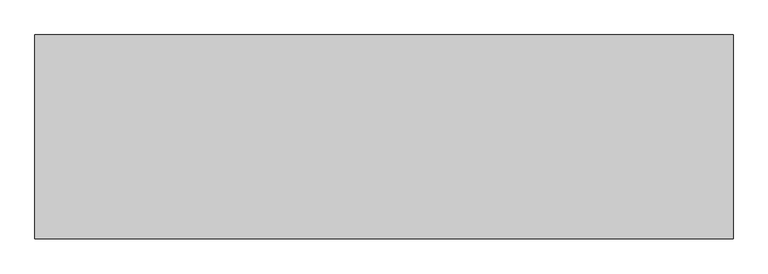
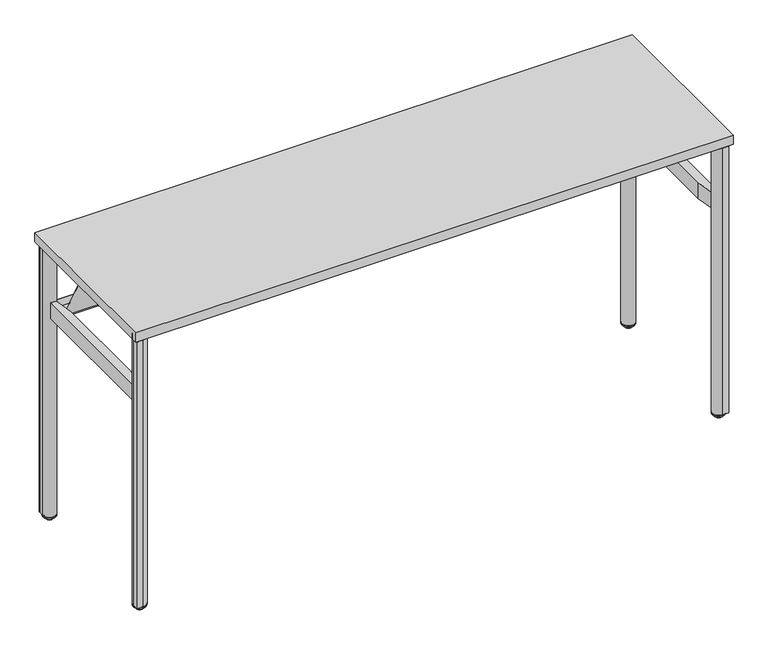
"""IFC4 building model written with IfcOpenShell, lengths in millimetres: furniture geometry."""

from ifc_helpers import new_model, si_unit, point, frame, frame_2d, origin, place, context, project, spatial, polyline, circle_curve, ellipse_curve, trimmed, segment, composite_curve, outline, extrude, source, transform, mapped, element, save
from ifc_brep_helpers import plane_surface, cylinder_surface, revolved_surface, advanced_brep


def furniture_ea637fb2(model_context):
    return source(origin(), model_context, "Body", "SolidModel", [
        extrude(outline(composite_curve([segment(polyline([(1682.5568228, -479.9277503), (1675.9453386, -404.358219)]), True, "CONTINUOUS"), segment(trimmed(circle_curve(frame_2d((1694.9228474, -402.6979004)), 19.05), [point((1675.9453386, -404.358219))], [point((1696.583166, -383.7203915))], False, "CARTESIAN"), True, "CONTINUOUS"), segment(polyline([(1696.583166, -383.7203915), (1774.2734847, -390.5174208)]), True, "CONTINUOUS"), segment(trimmed(circle_curve(frame_2d((1772.3818706, -412.1386457)), 21.7038146), [point((1774.2734847, -390.5174208))], [point((1787.728784, -396.7917301))], False, "CARTESIAN"), True, "CONTINUOUS"), segment(polyline([(1787.728784, -396.7917301), (1803.3562562, -412.4192001)]), True, "CONTINUOUS"), segment(trimmed(circle_curve(frame_2d((1782.3913269, -433.3841324)), 29.6488894), [point((1803.3562562, -412.4192001))], [point((1811.9273934, -430.8000615))], False, "CARTESIAN"), True, "CONTINUOUS"), segment(polyline([(1811.9273934, -430.8000615), (1818.3747643, -504.493852), (1818.3747643, -522.7148941)]), True, "CONTINUOUS"), segment(trimmed(circle_curve(frame_2d((1814.93984, -522.7148941)), 3.4349243), [point((1818.3747643, -522.7148941))], [point((1814.93984, -526.1498184))], False, "CARTESIAN"), True, "CONTINUOUS"), segment(polyline([(1814.93984, -526.1498184), (1796.7188055, -526.1498184), (1723.7868378, -519.7690978)]), True, "CONTINUOUS"), segment(trimmed(circle_curve(frame_2d((1726.5540328, -488.1399162)), 31.75), [point((1723.7868378, -519.7690978))], [point((1704.1033893, -510.5905533))], False, "CARTESIAN"), True, "CONTINUOUS"), segment(polyline([(1704.1033893, -510.5905533), (1690.5220271, -497.0091873)]), True, "CONTINUOUS"), segment(trimmed(circle_curve(frame_2d((1710.0048647, -477.5263553)), 27.5528892), [point((1690.5220271, -497.0091873))], [point((1682.5568228, -479.9277503))], False, "CARTESIAN"), True, "CONTINUOUS")], self_intersect=False)), frame((0.0, 0.0, 876.8852114), z_axis=(0.0, 0.0, 1.0), x_axis=(1.0, 0.0, 0.0)), (0.0, 0.0, 1.0), 7.924807),
        extrude(outline(composite_curve([segment(trimmed(circle_curve(frame_2d((115.624494, -477.5263553)), 27.5528892), [point((143.0725359, -479.9277503))], [point((135.1073315, -497.0091873))], False, "CARTESIAN"), True, "CONTINUOUS"), segment(polyline([(135.1073315, -497.0091873), (121.5259694, -510.5905533)]), True, "CONTINUOUS"), segment(trimmed(circle_curve(frame_2d((99.0753259, -488.1399162)), 31.75), [point((121.5259694, -510.5905533))], [point((101.8425208, -519.7690978))], False, "CARTESIAN"), True, "CONTINUOUS"), segment(polyline([(101.8425208, -519.7690978), (28.9105532, -526.1498184), (10.6895187, -526.1498184)]), True, "CONTINUOUS"), segment(trimmed(circle_curve(frame_2d((10.6895187, -522.7148941)), 3.4349243), [point((10.6895187, -526.1498184))], [point((7.2545944, -522.7148941))], False, "CARTESIAN"), True, "CONTINUOUS"), segment(polyline([(7.2545944, -522.7148941), (7.2545944, -504.493852), (13.7019653, -430.8000615)]), True, "CONTINUOUS"), segment(trimmed(circle_curve(frame_2d((43.2380317, -433.3841324)), 29.6488894), [point((13.7019653, -430.8000615))], [point((22.2731025, -412.4192001))], False, "CARTESIAN"), True, "CONTINUOUS"), segment(polyline([(22.2731025, -412.4192001), (37.9005747, -396.7917301)]), True, "CONTINUOUS"), segment(trimmed(circle_curve(frame_2d((53.2474881, -412.1386457)), 21.7038146), [point((37.9005747, -396.7917301))], [point((51.355874, -390.5174208))], False, "CARTESIAN"), True, "CONTINUOUS"), segment(polyline([(51.355874, -390.5174208), (129.0461926, -383.7203915)]), True, "CONTINUOUS"), segment(trimmed(circle_curve(frame_2d((130.7065113, -402.6979004)), 19.05), [point((129.0461926, -383.7203915))], [point((149.6840201, -404.358219))], False, "CARTESIAN"), True, "CONTINUOUS"), segment(polyline([(149.6840201, -404.358219), (143.0725359, -479.9277503)]), True, "CONTINUOUS")], self_intersect=False)), frame((0.0, 0.0, 876.8852114), z_axis=(0.0, 0.0, 1.0), x_axis=(1.0, 0.0, 0.0)), (0.0, 0.0, 1.0), 7.924807),
        extrude(outline(composite_curve([segment(trimmed(circle_curve(frame_2d((1710.0048647, -55.8736689)), 27.5528892), [point((1682.5568228, -53.4722739))], [point((1690.5220271, -36.3908369))], False, "CARTESIAN"), True, "CONTINUOUS"), segment(polyline([(1690.5220271, -36.3908369), (1704.1033893, -22.8094709)]), True, "CONTINUOUS"), segment(trimmed(circle_curve(frame_2d((1726.5540328, -45.260108)), 31.75), [point((1704.1033893, -22.8094709))], [point((1723.7868378, -13.6309264))], False, "CARTESIAN"), True, "CONTINUOUS"), segment(polyline([(1723.7868378, -13.6309264), (1796.7188055, -7.2502058), (1814.93984, -7.2502058)]), True, "CONTINUOUS"), segment(trimmed(circle_curve(frame_2d((1814.93984, -10.6851301)), 3.4349243), [point((1814.93984, -7.2502058))], [point((1818.3747643, -10.6851301))], False, "CARTESIAN"), True, "CONTINUOUS"), segment(polyline([(1818.3747643, -10.6851301), (1818.3747643, -28.9061722), (1811.9273934, -102.5999627)]), True, "CONTINUOUS"), segment(trimmed(circle_curve(frame_2d((1782.3913269, -100.0158919)), 29.6488894), [point((1811.9273934, -102.5999627))], [point((1803.3562562, -120.9808241))], False, "CARTESIAN"), True, "CONTINUOUS"), segment(polyline([(1803.3562562, -120.9808241), (1787.728784, -136.6082941)]), True, "CONTINUOUS"), segment(trimmed(circle_curve(frame_2d((1772.3818706, -121.2613785)), 21.7038146), [point((1787.728784, -136.6082941))], [point((1774.2734847, -142.8826034))], False, "CARTESIAN"), True, "CONTINUOUS"), segment(polyline([(1774.2734847, -142.8826034), (1696.583166, -149.6796327)]), True, "CONTINUOUS"), segment(trimmed(circle_curve(frame_2d((1694.9228474, -130.7021238)), 19.05), [point((1696.583166, -149.6796327))], [point((1675.9453386, -129.0418052))], False, "CARTESIAN"), True, "CONTINUOUS"), segment(polyline([(1675.9453386, -129.0418052), (1682.5568228, -53.4722739)]), True, "CONTINUOUS")], self_intersect=False)), frame((0.0, 0.0, 876.8852114), z_axis=(0.0, 0.0, 1.0), x_axis=(1.0, 0.0, 0.0)), (0.0, 0.0, 1.0), 7.924807),
        extrude(outline(composite_curve([segment(polyline([(143.0725359, -53.4722739), (149.6840201, -129.0418052)]), True, "CONTINUOUS"), segment(trimmed(circle_curve(frame_2d((130.7065113, -130.7021238)), 19.05), [point((149.6840201, -129.0418052))], [point((129.0461926, -149.6796327))], False, "CARTESIAN"), True, "CONTINUOUS"), segment(polyline([(129.0461926, -149.6796327), (51.355874, -142.8826034)]), True, "CONTINUOUS"), segment(trimmed(circle_curve(frame_2d((53.2474881, -121.2613785)), 21.7038146), [point((51.355874, -142.8826034))], [point((37.9005747, -136.6082941))], False, "CARTESIAN"), True, "CONTINUOUS"), segment(polyline([(37.9005747, -136.6082941), (22.2731025, -120.9808241)]), True, "CONTINUOUS"), segment(trimmed(circle_curve(frame_2d((43.2380317, -100.0158919)), 29.6488894), [point((22.2731025, -120.9808241))], [point((13.7019653, -102.5999627))], False, "CARTESIAN"), True, "CONTINUOUS"), segment(polyline([(13.7019653, -102.5999627), (7.2545944, -28.9061722), (7.2545944, -10.6851301)]), True, "CONTINUOUS"), segment(trimmed(circle_curve(frame_2d((10.6895187, -10.6851301)), 3.4349243), [point((7.2545944, -10.6851301))], [point((10.6895187, -7.2502058))], False, "CARTESIAN"), True, "CONTINUOUS"), segment(polyline([(10.6895187, -7.2502058), (28.9105532, -7.2502058), (101.8425208, -13.6309264)]), True, "CONTINUOUS"), segment(trimmed(circle_curve(frame_2d((99.0753259, -45.260108)), 31.75), [point((101.8425208, -13.6309264))], [point((121.5259694, -22.8094709))], False, "CARTESIAN"), True, "CONTINUOUS"), segment(polyline([(121.5259694, -22.8094709), (135.1073315, -36.3908369)]), True, "CONTINUOUS"), segment(trimmed(circle_curve(frame_2d((115.624494, -55.8736689)), 27.5528892), [point((135.1073315, -36.3908369))], [point((143.0725359, -53.4722739))], False, "CARTESIAN"), True, "CONTINUOUS")], self_intersect=False)), frame((0.0, 0.0, 876.8852114), z_axis=(0.0, 0.0, 1.0), x_axis=(1.0, 0.0, 0.0)), (0.0, 0.0, 1.0), 7.924807),
        extrude(outline(polyline([(1782.4459026, -13.0340961), (1782.4459026, -42.1423405), (46.3540974, -42.1423405), (46.3540974, -13.0340961), (1782.4459026, -13.0340961)])), frame((0.0, 0.0, 658.6141836), z_axis=(0.0, 0.0, 1.0), x_axis=(1.0, 0.0, 0.0)), (0.0, 0.0, 1.0), 2.0300117),
        extrude(outline(polyline([(1782.4459026, -13.0340961), (1682.5208473, -13.0340961), (1682.5208473, -11.0002063), (1782.4459026, -11.0002063), (1782.4459026, -13.0340961)])), frame((0.0, 0.0, 658.6141836), z_axis=(0.0, 0.0, 1.0), x_axis=(1.0, 0.0, 0.0)), (0.0, 0.0, 1.0), 25.4000242),
        extrude(outline(polyline([(143.1040921, -13.0340961), (46.3540974, -13.0340961), (46.3540974, -11.0002063), (143.1040921, -11.0002063), (143.1040921, -13.0340961)])), frame((0.0, 0.0, 658.6141836), z_axis=(0.0, 0.0, 1.0), x_axis=(1.0, 0.0, 0.0)), (0.0, 0.0, 1.0), 25.4000242),
        extrude(outline(polyline([(1621.827459, -13.0340961), (950.3124882, -13.0340961), (950.3124882, -11.0002063), (1621.827459, -11.0002063), (1621.827459, -13.0340961)])), frame((0.0, 0.0, 658.6141836), z_axis=(0.0, 0.0, 1.0), x_axis=(1.0, 0.0, 0.0)), (0.0, 0.0, 1.0), 22.9947931),
        extrude(outline(polyline([(875.3124876, -13.0340961), (203.7974987, -13.0340961), (203.7974987, -11.0002063), (875.3124876, -11.0002063), (875.3124876, -13.0340961)])), frame((0.0, 0.0, 658.6141836), z_axis=(0.0, 0.0, 1.0), x_axis=(1.0, 0.0, 0.0)), (0.0, 0.0, 1.0), 22.9947931),
        extrude(outline(composite_curve([segment(polyline([(-70.8799912, 670.6281944), (-183.9643808, 883.3090199), (-204.4150118, 883.3090199), (-204.4150118, 884.8100183), (-183.0636133, 884.8100183), (-69.4765949, 671.1843836)]), True, "CONTINUOUS"), segment(trimmed(circle_curve(frame_2d((-47.0497371, 683.1089821)), 25.4), [point((-69.4765949, 671.1843836))], [point((-47.0497371, 657.7089821))], True, "CARTESIAN"), True, "CONTINUOUS"), segment(polyline([(-47.0497371, 657.7089821), (-28.0002031, 657.7089821), (-28.0002031, 656.209001), (-46.8824246, 656.209001)]), True, "CONTINUOUS"), segment(trimmed(circle_curve(frame_2d((-46.8824246, 683.3879256)), 27.1789246), [point((-46.8824246, 656.209001))], [point((-70.8799912, 670.6281944))], False, "CARTESIAN"), True, "CONTINUOUS")], self_intersect=False)), frame((46.3540974, 0.0, 0.0), z_axis=(1.0, 0.0, 0.0), x_axis=(0.0, 1.0, 0.0)), (0.0, 0.0, 1.0), 1736.0918052),
        extrude(outline(polyline([(1807.8459034, -47.9435406), (1807.8459034, -485.4564594), (1790.621242, -485.4564594), (1782.4459026, -424.9957325), (1782.4459026, -108.4254144), (1790.6241015, -47.9435406), (1807.8459034, -47.9435406)])), frame((0.0, 0.0, 658.6141836), z_axis=(0.0, 0.0, 1.0), x_axis=(1.0, 0.0, 0.0)), (0.0, 0.0, 1.0), 50.8),
        extrude(outline(polyline([(20.9540966, -47.9435406), (38.1758985, -47.9435406), (46.3540974, -108.4254144), (46.3540974, -424.9957325), (38.178758, -485.4564594), (20.9540966, -485.4564594), (20.9540966, -47.9435406)])), frame((0.0, 0.0, 658.6141836), z_axis=(0.0, 0.0, 1.0), x_axis=(1.0, 0.0, 0.0)), (0.0, 0.0, 1.0), 50.8),
        advanced_brep(
        [(1797.6247953, -485.4197975, 12.8144714), (1797.6247953, -525.3711213, 12.8144714), (1797.6247953, -520.426826, 7.8701761), (1797.6247953, -490.3640928, 7.8701761), (1797.6247953, -519.4011418, 7.8701761), (1797.6247953, -491.389777, 7.8701761), (1797.6247953, -519.4011418, 7.0593297), (1797.6247953, -491.389777, 7.0593297), (1797.6247953, -517.5595987, 2.623811), (1797.6247953, -493.23132, 2.623811), (1797.6247953, -515.1818837, 0.2460959), (1797.6247953, -495.6090351, 0.2460959), (1797.6247953, -514.2634411, 0.0), (1797.6247953, -496.5274776, 0.0), (1797.6247953, -505.3954594, 0.0), (1797.6247953, -505.3954594, 15.24), (1797.6247953, -525.3711213, 15.24), (1797.6247953, -485.4197975, 15.24)],
        [
            (0, 1, circle_curve(frame((1797.6247953, -505.3954594, 12.8144714), z_axis=(0.0, 0.0, -1.0), x_axis=(0.0, -1.0, 0.0)), 19.9756619)),
            (1, 2, circle_curve(frame((1797.6247953, -520.426826, 12.8144714), z_axis=(1.0, 0.0, 0.0), x_axis=(0.0, 1.0, 0.0)), 4.9442953)),
            (2, 3, circle_curve(frame((1797.6247953, -505.3954594, 7.8701761), z_axis=(0.0, 0.0, 1.0), x_axis=(0.0, -1.0, 0.0)), 15.0313666)),
            (3, 0, circle_curve(frame((1797.6247953, -490.3640928, 12.8144714), z_axis=(1.0, 0.0, 0.0), x_axis=(0.0, -1.0, 0.0)), 4.9442953)),
            (1, 0, circle_curve(frame((1797.6247953, -505.3954594, 12.8144714), z_axis=(0.0, 0.0, -1.0), x_axis=(0.0, -1.0, 0.0)), 19.9756619)),
            (3, 2, circle_curve(frame((1797.6247953, -505.3954594, 7.8701761), z_axis=(0.0, 0.0, 1.0), x_axis=(0.0, -1.0, 0.0)), 15.0313666)),
            (2, 4),
            (4, 5, circle_curve(frame((1797.6247953, -505.3954594, 7.8701761), z_axis=(0.0, 0.0, 1.0), x_axis=(0.0, -1.0, 0.0)), 14.0056824)),
            (5, 3),
            (5, 4, circle_curve(frame((1797.6247953, -505.3954594, 7.8701761), z_axis=(0.0, 0.0, 1.0), x_axis=(0.0, -1.0, 0.0)), 14.0056824)),
            (4, 6),
            (6, 7, circle_curve(frame((1797.6247953, -505.3954594, 7.0593297), z_axis=(0.0, 0.0, 1.0), x_axis=(0.0, -1.0, 0.0)), 14.0056824)),
            (7, 5),
            (7, 6, circle_curve(frame((1797.6247953, -505.3954594, 7.0593297), z_axis=(0.0, 0.0, 1.0), x_axis=(0.0, -1.0, 0.0)), 14.0056824)),
            (6, 8),
            (8, 9, circle_curve(frame((1797.6247953, -505.3954594, 2.623811), z_axis=(0.0, 0.0, 1.0), x_axis=(0.0, -1.0, 0.0)), 12.1641393)),
            (9, 7),
            (9, 8, circle_curve(frame((1797.6247953, -505.3954594, 2.623811), z_axis=(0.0, 0.0, 1.0), x_axis=(0.0, -1.0, 0.0)), 12.1641393)),
            (8, 10),
            (10, 11, circle_curve(frame((1797.6247953, -505.3954594, 0.2460959), z_axis=(0.0, 0.0, 1.0), x_axis=(0.0, -1.0, 0.0)), 9.7864243)),
            (11, 9),
            (11, 10, circle_curve(frame((1797.6247953, -505.3954594, 0.2460959), z_axis=(0.0, 0.0, 1.0), x_axis=(0.0, -1.0, 0.0)), 9.7864243)),
            (10, 12),
            (12, 13, circle_curve(frame((1797.6247953, -505.3954594, 0.0), z_axis=(0.0, 0.0, 1.0), x_axis=(0.0, -1.0, 0.0)), 8.8679818)),
            (13, 11),
            (13, 12, circle_curve(frame((1797.6247953, -505.3954594, 0.0), z_axis=(0.0, 0.0, 1.0), x_axis=(0.0, -1.0, 0.0)), 8.8679818)),
            (12, 14),
            (14, 13),
            (15, 16),
            (16, 17, circle_curve(frame((1797.6247953, -505.3954594, 15.24), z_axis=(0.0, 0.0, 1.0), x_axis=(0.0, -1.0, 0.0)), 19.9756619)),
            (17, 15),
            (17, 16, circle_curve(frame((1797.6247953, -505.3954594, 15.24), z_axis=(0.0, 0.0, 1.0), x_axis=(0.0, -1.0, 0.0)), 19.9756619)),
            (16, 1),
            (0, 17),
        ],
        [
            revolved_surface(trimmed(ellipse_curve(frame((1797.6247953, -520.426826, 12.8144714), z_axis=(-1.0, 0.0, 0.0), x_axis=(0.0, 1.0, 0.0)), 4.9442953, 4.9442953), [point((1797.6247953, -520.426826, 7.8701761))], [point((1797.6247953, -525.3711213, 12.8144714))], True, "CARTESIAN"), (1797.6247953, -505.3954594, 40.64), (0.0, 0.0, 1.0)),
            plane_surface(frame((1797.6247953, -505.3954594, 7.8701761), z_axis=(0.0, 0.0, -1.0), x_axis=(0.0, -1.0, 0.0))),
            cylinder_surface(frame((1797.6247953, -505.3954594, 40.64), z_axis=(0.0, 0.0, 1.0), x_axis=(0.0, -1.0, 0.0)), 14.0056824),
            revolved_surface(polyline([(1797.6247953, -517.5595987, 2.623811), (1797.6247953, -519.4011418, 7.0593297)]), (1797.6247953, -505.3954594, 40.64), (0.0, 0.0, 1.0)),
            revolved_surface(polyline([(1797.6247953, -515.1818837, 0.2460959), (1797.6247953, -517.5595987, 2.623811)]), (1797.6247953, -505.3954594, 40.64), (0.0, 0.0, 1.0)),
            revolved_surface(polyline([(1797.6247953, -514.2634411, 0.0), (1797.6247953, -515.1818837, 0.2460959)]), (1797.6247953, -505.3954594, 40.64), (0.0, 0.0, 1.0)),
            plane_surface(frame((1797.6247953, -505.3954594, 0.0), z_axis=(0.0, 0.0, -1.0), x_axis=(0.0, -1.0, 0.0))),
            plane_surface(frame((1797.6247953, -505.3954594, 15.24), z_axis=(0.0, 0.0, 1.0), x_axis=(0.0, -1.0, 0.0))),
            cylinder_surface(frame((1797.6247953, -505.3954594, 40.64), z_axis=(0.0, 0.0, 1.0), x_axis=(0.0, -1.0, 0.0)), 19.9756619),
        ],
        [
            (0, [[1, 2, 3, 4]]),
            (0, [[5, -4, 6, -2]]),
            (1, [[-3, 7, 8, 9]]),
            (1, [[-6, -9, 10, -7]]),
            (2, [[-8, 11, 12, 13]]),
            (2, [[-10, -13, 14, -11]]),
            (3, [[-12, 15, 16, 17]]),
            (3, [[-14, -17, 18, -15]]),
            (4, [[-16, 19, 20, 21]]),
            (4, [[-18, -21, 22, -19]]),
            (5, [[-20, 23, 24, 25]]),
            (5, [[-22, -25, 26, -23]]),
            (6, [[-24, 27, 28]]),
            (6, [[-26, -28, -27]]),
            (7, [[29, 30, 31]]),
            (7, [[-31, 32, -29]]),
            (8, [[-30, 33, -1, 34]]),
            (8, [[-32, -34, -5, -33]]),
        ],
    ),
        advanced_brep(
        [(27.9796875, -490.3640928, 7.8701761), (27.9796875, -520.426826, 7.8701761), (27.9796875, -525.3711213, 12.8144714), (27.9796875, -485.4197975, 12.8144714), (27.9796875, -491.389777, 7.8701761), (27.9796875, -519.4011418, 7.8701761), (27.9796875, -491.389777, 7.0593297), (27.9796875, -519.4011418, 7.0593297), (27.9796875, -493.23132, 2.623811), (27.9796875, -517.5595987, 2.623811), (27.9796875, -495.6090351, 0.2460959), (27.9796875, -515.1818837, 0.2460959), (27.9796875, -496.5274776, 0.0), (27.9796875, -514.2634411, 0.0), (27.9796875, -505.3954594, 0.0), (27.9796875, -485.4197975, 15.24), (27.9796875, -525.3711213, 15.24), (27.9796875, -505.3954594, 15.24)],
        [
            (0, 1, circle_curve(frame((27.9796875, -505.3954594, 7.8701761), z_axis=(0.0, 0.0, 1.0), x_axis=(0.0, -1.0, 0.0)), 15.0313666)),
            (1, 2, circle_curve(frame((27.9796875, -520.426826, 12.8144714), z_axis=(-1.0, 0.0, 0.0), x_axis=(0.0, 1.0, 0.0)), 4.9442953)),
            (2, 3, circle_curve(frame((27.9796875, -505.3954594, 12.8144714), z_axis=(0.0, 0.0, -1.0), x_axis=(0.0, -1.0, 0.0)), 19.9756619)),
            (3, 0, circle_curve(frame((27.9796875, -490.3640928, 12.8144714), z_axis=(-1.0, 0.0, 0.0), x_axis=(0.0, -1.0, 0.0)), 4.9442953)),
            (1, 0, circle_curve(frame((27.9796875, -505.3954594, 7.8701761), z_axis=(0.0, 0.0, 1.0), x_axis=(0.0, -1.0, 0.0)), 15.0313666)),
            (3, 2, circle_curve(frame((27.9796875, -505.3954594, 12.8144714), z_axis=(0.0, 0.0, -1.0), x_axis=(0.0, -1.0, 0.0)), 19.9756619)),
            (4, 5, circle_curve(frame((27.9796875, -505.3954594, 7.8701761), z_axis=(0.0, 0.0, 1.0), x_axis=(0.0, -1.0, 0.0)), 14.0056824)),
            (5, 1),
            (0, 4),
            (5, 4, circle_curve(frame((27.9796875, -505.3954594, 7.8701761), z_axis=(0.0, 0.0, 1.0), x_axis=(0.0, -1.0, 0.0)), 14.0056824)),
            (6, 7, circle_curve(frame((27.9796875, -505.3954594, 7.0593297), z_axis=(0.0, 0.0, 1.0), x_axis=(0.0, -1.0, 0.0)), 14.0056824)),
            (7, 5),
            (4, 6),
            (7, 6, circle_curve(frame((27.9796875, -505.3954594, 7.0593297), z_axis=(0.0, 0.0, 1.0), x_axis=(0.0, -1.0, 0.0)), 14.0056824)),
            (8, 9, circle_curve(frame((27.9796875, -505.3954594, 2.623811), z_axis=(0.0, 0.0, 1.0), x_axis=(0.0, -1.0, 0.0)), 12.1641393)),
            (9, 7),
            (6, 8),
            (9, 8, circle_curve(frame((27.9796875, -505.3954594, 2.623811), z_axis=(0.0, 0.0, 1.0), x_axis=(0.0, -1.0, 0.0)), 12.1641393)),
            (10, 11, circle_curve(frame((27.9796875, -505.3954594, 0.2460959), z_axis=(0.0, 0.0, 1.0), x_axis=(0.0, -1.0, 0.0)), 9.7864243)),
            (11, 9),
            (8, 10),
            (11, 10, circle_curve(frame((27.9796875, -505.3954594, 0.2460959), z_axis=(0.0, 0.0, 1.0), x_axis=(0.0, -1.0, 0.0)), 9.7864243)),
            (12, 13, circle_curve(frame((27.9796875, -505.3954594, 0.0), z_axis=(0.0, 0.0, 1.0), x_axis=(0.0, -1.0, 0.0)), 8.8679818)),
            (13, 11),
            (10, 12),
            (13, 12, circle_curve(frame((27.9796875, -505.3954594, 0.0), z_axis=(0.0, 0.0, 1.0), x_axis=(0.0, -1.0, 0.0)), 8.8679818)),
            (14, 13),
            (12, 14),
            (15, 16, circle_curve(frame((27.9796875, -505.3954594, 15.24), z_axis=(0.0, 0.0, 1.0), x_axis=(0.0, -1.0, 0.0)), 19.9756619)),
            (16, 17),
            (17, 15),
            (16, 15, circle_curve(frame((27.9796875, -505.3954594, 15.24), z_axis=(0.0, 0.0, 1.0), x_axis=(0.0, -1.0, 0.0)), 19.9756619)),
            (2, 16),
            (15, 3),
        ],
        [
            revolved_surface(trimmed(ellipse_curve(frame((27.9796875, -520.426826, 12.8144714), z_axis=(1.0, 0.0, 0.0), x_axis=(0.0, 1.0, 0.0)), 4.9442953, 4.9442953), [point((27.9796875, -525.3711213, 12.8144714))], [point((27.9796875, -520.426826, 7.8701761))], True, "CARTESIAN"), (27.9796875, -505.3954594, 40.64), (0.0, 0.0, -1.0)),
            plane_surface(frame((27.9796875, -505.3954594, 7.8701761), z_axis=(0.0, 0.0, -1.0), x_axis=(0.0, -1.0, 0.0))),
            cylinder_surface(frame((27.9796875, -505.3954594, 40.64), z_axis=(0.0, 0.0, -1.0), x_axis=(0.0, -1.0, 0.0)), 14.0056824),
            revolved_surface(polyline([(27.9796875, -519.4011418, 7.0593297), (27.9796875, -517.5595987, 2.623811)]), (27.9796875, -505.3954594, 40.64), (0.0, 0.0, -1.0)),
            revolved_surface(polyline([(27.9796875, -517.5595987, 2.623811), (27.9796875, -515.1818837, 0.2460959)]), (27.9796875, -505.3954594, 40.64), (0.0, 0.0, -1.0)),
            revolved_surface(polyline([(27.9796875, -515.1818837, 0.2460959), (27.9796875, -514.2634411, 0.0)]), (27.9796875, -505.3954594, 40.64), (0.0, 0.0, -1.0)),
            plane_surface(frame((27.9796875, -505.3954594, 0.0), z_axis=(0.0, 0.0, -1.0), x_axis=(0.0, -1.0, 0.0))),
            plane_surface(frame((27.9796875, -505.3954594, 15.24), z_axis=(0.0, 0.0, 1.0), x_axis=(0.0, -1.0, 0.0))),
            cylinder_surface(frame((27.9796875, -505.3954594, 40.64), z_axis=(0.0, 0.0, -1.0), x_axis=(0.0, -1.0, 0.0)), 19.9756619),
        ],
        [
            (0, [[1, 2, 3, 4]]),
            (0, [[5, -4, 6, -2]]),
            (1, [[7, 8, -1, 9]]),
            (1, [[10, -9, -5, -8]]),
            (2, [[11, 12, -7, 13]]),
            (2, [[14, -13, -10, -12]]),
            (3, [[15, 16, -11, 17]]),
            (3, [[18, -17, -14, -16]]),
            (4, [[19, 20, -15, 21]]),
            (4, [[22, -21, -18, -20]]),
            (5, [[23, 24, -19, 25]]),
            (5, [[26, -25, -22, -24]]),
            (6, [[27, -23, 28]]),
            (6, [[-28, -26, -27]]),
            (7, [[29, 30, 31]]),
            (7, [[32, -31, -30]]),
            (8, [[-3, 33, -29, 34]]),
            (8, [[-6, -34, -32, -33]]),
        ],
    ),
        advanced_brep(
        [(1777.6120074, -27.9300781, 12.7759073), (1817.6127953, -27.9300781, 12.7759073), (1812.7070641, -27.9300781, 7.8701761), (1782.5177386, -27.9300781, 7.8701761), (1811.6840387, -27.9300781, 7.8701761), (1783.540764, -27.9300781, 7.8701761), (1811.6840387, -27.9300781, 7.0593297), (1783.540764, -27.9300781, 7.0593297), (1809.8012727, -27.9300781, 2.623811), (1785.42353, -27.9300781, 2.623811), (1807.4235576, -27.9300781, 0.2460959), (1787.801245, -27.9300781, 0.2460959), (1806.5051151, -27.9300781, 0.0), (1788.7196875, -27.9300781, 0.0), (1797.6124013, -27.9300781, 0.0), (1797.6124013, -27.9300781, 15.24), (1817.6127953, -27.9300781, 15.24), (1777.6120074, -27.9300781, 15.24)],
        [
            (0, 1, circle_curve(frame((1797.6124013, -27.9300781, 12.7759073), z_axis=(0.0, 0.0, -1.0), x_axis=(1.0, 0.0, 0.0)), 20.0003939)),
            (1, 2, circle_curve(frame((1812.7070641, -27.9300781, 12.7759073), z_axis=(0.0, 1.0, 0.0), x_axis=(-1.0, 0.0, 0.0)), 4.9057312)),
            (2, 3, circle_curve(frame((1797.6124013, -27.9300781, 7.8701761), z_axis=(0.0, 0.0, 1.0), x_axis=(1.0, 0.0, 0.0)), 15.0946628)),
            (3, 0, circle_curve(frame((1782.5177386, -27.9300781, 12.7759073), z_axis=(0.0, 1.0, 0.0), x_axis=(1.0, 0.0, 0.0)), 4.9057312)),
            (1, 0, circle_curve(frame((1797.6124013, -27.9300781, 12.7759073), z_axis=(0.0, 0.0, -1.0), x_axis=(1.0, 0.0, 0.0)), 20.0003939)),
            (3, 2, circle_curve(frame((1797.6124013, -27.9300781, 7.8701761), z_axis=(0.0, 0.0, 1.0), x_axis=(1.0, 0.0, 0.0)), 15.0946628)),
            (2, 4),
            (4, 5, circle_curve(frame((1797.6124013, -27.9300781, 7.8701761), z_axis=(0.0, 0.0, 1.0), x_axis=(1.0, 0.0, 0.0)), 14.0716373)),
            (5, 3),
            (5, 4, circle_curve(frame((1797.6124013, -27.9300781, 7.8701761), z_axis=(0.0, 0.0, 1.0), x_axis=(1.0, 0.0, 0.0)), 14.0716373)),
            (4, 6),
            (6, 7, circle_curve(frame((1797.6124013, -27.9300781, 7.0593297), z_axis=(0.0, 0.0, 1.0), x_axis=(1.0, 0.0, 0.0)), 14.0716373)),
            (7, 5),
            (7, 6, circle_curve(frame((1797.6124013, -27.9300781, 7.0593297), z_axis=(0.0, 0.0, 1.0), x_axis=(1.0, 0.0, 0.0)), 14.0716373)),
            (6, 8),
            (8, 9, circle_curve(frame((1797.6124013, -27.9300781, 2.623811), z_axis=(0.0, 0.0, 1.0), x_axis=(1.0, 0.0, 0.0)), 12.1888713)),
            (9, 7),
            (9, 8, circle_curve(frame((1797.6124013, -27.9300781, 2.623811), z_axis=(0.0, 0.0, 1.0), x_axis=(1.0, 0.0, 0.0)), 12.1888713)),
            (8, 10),
            (10, 11, circle_curve(frame((1797.6124013, -27.9300781, 0.2460959), z_axis=(0.0, 0.0, 1.0), x_axis=(1.0, 0.0, 0.0)), 9.8111563)),
            (11, 9),
            (11, 10, circle_curve(frame((1797.6124013, -27.9300781, 0.2460959), z_axis=(0.0, 0.0, 1.0), x_axis=(1.0, 0.0, 0.0)), 9.8111563)),
            (10, 12),
            (12, 13, circle_curve(frame((1797.6124013, -27.9300781, 0.0), z_axis=(0.0, 0.0, 1.0), x_axis=(1.0, 0.0, 0.0)), 8.8927138)),
            (13, 11),
            (13, 12, circle_curve(frame((1797.6124013, -27.9300781, 0.0), z_axis=(0.0, 0.0, 1.0), x_axis=(1.0, 0.0, 0.0)), 8.8927138)),
            (12, 14),
            (14, 13),
            (15, 16),
            (16, 17, circle_curve(frame((1797.6124013, -27.9300781, 15.24), z_axis=(0.0, 0.0, 1.0), x_axis=(1.0, 0.0, 0.0)), 20.0003939)),
            (17, 15),
            (17, 16, circle_curve(frame((1797.6124013, -27.9300781, 15.24), z_axis=(0.0, 0.0, 1.0), x_axis=(1.0, 0.0, 0.0)), 20.0003939)),
            (16, 1),
            (0, 17),
        ],
        [
            revolved_surface(trimmed(ellipse_curve(frame((1812.7070641, -27.9300781, 12.7759073), z_axis=(0.0, -1.0, 0.0), x_axis=(-1.0, 0.0, 0.0)), 4.9057312, 4.9057312), [point((1812.7070641, -27.9300781, 7.8701761))], [point((1817.6127953, -27.9300781, 12.7759073))], True, "CARTESIAN"), (1797.6124013, -27.9300781, -11.2120944), (0.0, 0.0, 1.0)),
            plane_surface(frame((1797.6124013, -27.9300781, 7.8701761), z_axis=(0.0, 0.0, -1.0), x_axis=(1.0, 0.0, 0.0))),
            cylinder_surface(frame((1797.6124013, -27.9300781, -11.2120944), z_axis=(0.0, 0.0, 1.0), x_axis=(1.0, 0.0, 0.0)), 14.0716373),
            revolved_surface(polyline([(1809.8012727, -27.9300781, 2.623811), (1811.6840387, -27.9300781, 7.0593297)]), (1797.6124013, -27.9300781, -11.2120944), (0.0, 0.0, 1.0)),
            revolved_surface(polyline([(1807.4235576, -27.9300781, 0.2460959), (1809.8012727, -27.9300781, 2.623811)]), (1797.6124013, -27.9300781, -11.2120944), (0.0, 0.0, 1.0)),
            revolved_surface(polyline([(1806.5051151, -27.9300781, 0.0), (1807.4235576, -27.9300781, 0.2460959)]), (1797.6124013, -27.9300781, -11.2120944), (0.0, 0.0, 1.0)),
            plane_surface(frame((1797.6124013, -27.9300781, 0.0), z_axis=(0.0, 0.0, -1.0), x_axis=(1.0, 0.0, 0.0))),
            plane_surface(frame((1797.6124013, -27.9300781, 15.24), z_axis=(0.0, 0.0, 1.0), x_axis=(1.0, 0.0, 0.0))),
            cylinder_surface(frame((1797.6124013, -27.9300781, -11.2120944), z_axis=(0.0, 0.0, 1.0), x_axis=(1.0, 0.0, 0.0)), 20.0003939),
        ],
        [
            (0, [[1, 2, 3, 4]]),
            (0, [[5, -4, 6, -2]]),
            (1, [[-3, 7, 8, 9]]),
            (1, [[-6, -9, 10, -7]]),
            (2, [[-8, 11, 12, 13]]),
            (2, [[-10, -13, 14, -11]]),
            (3, [[-12, 15, 16, 17]]),
            (3, [[-14, -17, 18, -15]]),
            (4, [[-16, 19, 20, 21]]),
            (4, [[-18, -21, 22, -19]]),
            (5, [[-20, 23, 24, 25]]),
            (5, [[-22, -25, 26, -23]]),
            (6, [[-24, 27, 28]]),
            (6, [[-26, -28, -27]]),
            (7, [[29, 30, 31]]),
            (7, [[-31, 32, -29]]),
            (8, [[-30, 33, -1, 34]]),
            (8, [[-32, -34, -5, -33]]),
        ],
    ),
        advanced_brep(
        [(43.0948591, -27.9300781, 7.8701761), (12.9055336, -27.9300781, 7.8701761), (7.9998024, -27.9300781, 12.7759073), (48.0005903, -27.9300781, 12.7759073), (42.0718337, -27.9300781, 7.8701761), (13.928559, -27.9300781, 7.8701761), (42.0718337, -27.9300781, 7.0593297), (13.928559, -27.9300781, 7.0593297), (40.1890677, -27.9300781, 2.623811), (15.811325, -27.9300781, 2.623811), (37.8113526, -27.9300781, 0.2460959), (18.18904, -27.9300781, 0.2460959), (36.8929101, -27.9300781, 0.0), (19.1074826, -27.9300781, 0.0), (28.0001963, -27.9300781, 0.0), (48.0005903, -27.9300781, 15.24), (7.9998024, -27.9300781, 15.24), (28.0001963, -27.9300781, 15.24)],
        [
            (0, 1, circle_curve(frame((28.0001963, -27.9300781, 7.8701761), z_axis=(0.0, 0.0, 1.0), x_axis=(-1.0, 0.0, 0.0)), 15.0946628)),
            (1, 2, circle_curve(frame((12.9055336, -27.9300781, 12.7759073), z_axis=(0.0, 1.0, 0.0), x_axis=(1.0, 0.0, 0.0)), 4.9057312)),
            (2, 3, circle_curve(frame((28.0001963, -27.9300781, 12.7759073), z_axis=(0.0, 0.0, -1.0), x_axis=(-1.0, 0.0, 0.0)), 20.0003939)),
            (3, 0, circle_curve(frame((43.0948591, -27.9300781, 12.7759073), z_axis=(0.0, 1.0, 0.0), x_axis=(-1.0, 0.0, 0.0)), 4.9057312)),
            (1, 0, circle_curve(frame((28.0001963, -27.9300781, 7.8701761), z_axis=(0.0, 0.0, 1.0), x_axis=(-1.0, 0.0, 0.0)), 15.0946628)),
            (3, 2, circle_curve(frame((28.0001963, -27.9300781, 12.7759073), z_axis=(0.0, 0.0, -1.0), x_axis=(-1.0, 0.0, 0.0)), 20.0003939)),
            (4, 5, circle_curve(frame((28.0001963, -27.9300781, 7.8701761), z_axis=(0.0, 0.0, 1.0), x_axis=(-1.0, 0.0, 0.0)), 14.0716373)),
            (5, 1),
            (0, 4),
            (5, 4, circle_curve(frame((28.0001963, -27.9300781, 7.8701761), z_axis=(0.0, 0.0, 1.0), x_axis=(-1.0, 0.0, 0.0)), 14.0716373)),
            (6, 7, circle_curve(frame((28.0001963, -27.9300781, 7.0593297), z_axis=(0.0, 0.0, 1.0), x_axis=(-1.0, 0.0, 0.0)), 14.0716373)),
            (7, 5),
            (4, 6),
            (7, 6, circle_curve(frame((28.0001963, -27.9300781, 7.0593297), z_axis=(0.0, 0.0, 1.0), x_axis=(-1.0, 0.0, 0.0)), 14.0716373)),
            (8, 9, circle_curve(frame((28.0001963, -27.9300781, 2.623811), z_axis=(0.0, 0.0, 1.0), x_axis=(-1.0, 0.0, 0.0)), 12.1888713)),
            (9, 7),
            (6, 8),
            (9, 8, circle_curve(frame((28.0001963, -27.9300781, 2.623811), z_axis=(0.0, 0.0, 1.0), x_axis=(-1.0, 0.0, 0.0)), 12.1888713)),
            (10, 11, circle_curve(frame((28.0001963, -27.9300781, 0.2460959), z_axis=(0.0, 0.0, 1.0), x_axis=(-1.0, 0.0, 0.0)), 9.8111563)),
            (11, 9),
            (8, 10),
            (11, 10, circle_curve(frame((28.0001963, -27.9300781, 0.2460959), z_axis=(0.0, 0.0, 1.0), x_axis=(-1.0, 0.0, 0.0)), 9.8111563)),
            (12, 13, circle_curve(frame((28.0001963, -27.9300781, 0.0), z_axis=(0.0, 0.0, 1.0), x_axis=(-1.0, 0.0, 0.0)), 8.8927138)),
            (13, 11),
            (10, 12),
            (13, 12, circle_curve(frame((28.0001963, -27.9300781, 0.0), z_axis=(0.0, 0.0, 1.0), x_axis=(-1.0, 0.0, 0.0)), 8.8927138)),
            (14, 13),
            (12, 14),
            (15, 16, circle_curve(frame((28.0001963, -27.9300781, 15.24), z_axis=(0.0, 0.0, 1.0), x_axis=(-1.0, 0.0, 0.0)), 20.0003939)),
            (16, 17),
            (17, 15),
            (16, 15, circle_curve(frame((28.0001963, -27.9300781, 15.24), z_axis=(0.0, 0.0, 1.0), x_axis=(-1.0, 0.0, 0.0)), 20.0003939)),
            (2, 16),
            (15, 3),
        ],
        [
            revolved_surface(trimmed(ellipse_curve(frame((12.9055336, -27.9300781, 12.7759073), z_axis=(0.0, -1.0, 0.0), x_axis=(1.0, 0.0, 0.0)), 4.9057312, 4.9057312), [point((7.9998024, -27.9300781, 12.7759073))], [point((12.9055336, -27.9300781, 7.8701761))], True, "CARTESIAN"), (28.0001963, -27.9300781, -11.2120944), (0.0, 0.0, -1.0)),
            plane_surface(frame((28.0001963, -27.9300781, 7.8701761), z_axis=(0.0, 0.0, -1.0), x_axis=(-1.0, 0.0, 0.0))),
            cylinder_surface(frame((28.0001963, -27.9300781, -11.2120944), z_axis=(0.0, 0.0, -1.0), x_axis=(-1.0, 0.0, 0.0)), 14.0716373),
            revolved_surface(polyline([(13.928559, -27.9300781, 7.0593297), (15.811325, -27.9300781, 2.623811)]), (28.0001963, -27.9300781, -11.2120944), (0.0, 0.0, -1.0)),
            revolved_surface(polyline([(15.811325, -27.9300781, 2.623811), (18.18904, -27.9300781, 0.2460959)]), (28.0001963, -27.9300781, -11.2120944), (0.0, 0.0, -1.0)),
            revolved_surface(polyline([(18.18904, -27.9300781, 0.2460959), (19.1074826, -27.9300781, 0.0)]), (28.0001963, -27.9300781, -11.2120944), (0.0, 0.0, -1.0)),
            plane_surface(frame((28.0001963, -27.9300781, 0.0), z_axis=(0.0, 0.0, -1.0), x_axis=(-1.0, 0.0, 0.0))),
            plane_surface(frame((28.0001963, -27.9300781, 15.24), z_axis=(0.0, 0.0, 1.0), x_axis=(-1.0, 0.0, 0.0))),
            cylinder_surface(frame((28.0001963, -27.9300781, -11.2120944), z_axis=(0.0, 0.0, -1.0), x_axis=(-1.0, 0.0, 0.0)), 20.0003939),
        ],
        [
            (0, [[1, 2, 3, 4]]),
            (0, [[5, -4, 6, -2]]),
            (1, [[7, 8, -1, 9]]),
            (1, [[10, -9, -5, -8]]),
            (2, [[11, 12, -7, 13]]),
            (2, [[14, -13, -10, -12]]),
            (3, [[15, 16, -11, 17]]),
            (3, [[18, -17, -14, -16]]),
            (4, [[19, 20, -15, 21]]),
            (4, [[22, -21, -18, -20]]),
            (5, [[23, 24, -19, 25]]),
            (5, [[26, -25, -22, -24]]),
            (6, [[27, -23, 28]]),
            (6, [[-28, -26, -27]]),
            (7, [[29, 30, 31]]),
            (7, [[32, -31, -30]]),
            (8, [[-3, 33, -29, 34]]),
            (8, [[-6, -34, -32, -33]]),
        ],
    ),
        extrude(outline(composite_curve([segment(polyline([(28.0001963, -525.3344594), (8.0611963, -525.3344594), (8.0611963, -505.3954594)]), True, "CONTINUOUS"), segment(trimmed(circle_curve(frame_2d((28.0001963, -505.3954594)), 19.939), [point((8.0611963, -505.3954594))], [point((28.0001963, -525.3344594))], False, "CARTESIAN"), True, "CONTINUOUS")], self_intersect=False)), frame((0.0, 0.0, 15.24), z_axis=(0.0, 0.0, 1.0), x_axis=(1.0, 0.0, 0.0)), (0.0, 0.0, 1.0), 869.5700183),
        extrude(outline(composite_curve([segment(trimmed(circle_curve(frame_2d((1797.6247953, -505.3954594)), 19.939), [point((1797.6247953, -525.3344594))], [point((1817.5637953, -505.3954594))], False, "CARTESIAN"), True, "CONTINUOUS"), segment(polyline([(1817.5637953, -505.3954594), (1817.5637953, -525.3344594), (1797.6247953, -525.3344594)]), True, "CONTINUOUS")], self_intersect=False)), frame((0.0, 0.0, 15.24), z_axis=(0.0, 0.0, 1.0), x_axis=(1.0, 0.0, 0.0)), (0.0, 0.0, 1.0), 869.5700183),
        extrude(outline(composite_curve([segment(polyline([(1797.6247953, -8.0612031), (1814.9100889, -8.0612031)]), True, "CONTINUOUS"), segment(trimmed(circle_curve(frame_2d((1814.9100889, -10.7149096)), 2.6537064), [point((1814.9100889, -8.0612031))], [point((1817.5637953, -10.7149096))], False, "CARTESIAN"), True, "CONTINUOUS"), segment(polyline([(1817.5637953, -10.7149096), (1817.5637953, -28.0002031)]), True, "CONTINUOUS"), segment(trimmed(circle_curve(frame_2d((1797.6247953, -28.0002031)), 19.939), [point((1817.5637953, -28.0002031))], [point((1797.6247953, -8.0612031))], False, "CARTESIAN"), True, "CONTINUOUS")], self_intersect=False)), frame((0.0, 0.0, 15.24), z_axis=(0.0, 0.0, 1.0), x_axis=(1.0, 0.0, 0.0)), (0.0, 0.0, 1.0), 869.5700183),
        extrude(outline(composite_curve([segment(trimmed(circle_curve(frame_2d((28.0001963, -28.0002031)), 19.939), [point((28.0001963, -8.0612031))], [point((8.0611963, -28.0002031))], False, "CARTESIAN"), True, "CONTINUOUS"), segment(polyline([(8.0611963, -28.0002031), (8.0611963, -10.8667119)]), True, "CONTINUOUS"), segment(trimmed(circle_curve(frame_2d((10.8667051, -10.8667119)), 2.8055087), [point((8.0611963, -10.8667119))], [point((10.8667051, -8.0612031))], False, "CARTESIAN"), True, "CONTINUOUS"), segment(polyline([(10.8667051, -8.0612031), (28.0001963, -8.0612031)]), True, "CONTINUOUS")], self_intersect=False)), frame((0.0, 0.0, 15.24), z_axis=(0.0, 0.0, 1.0), x_axis=(1.0, 0.0, 0.0)), (0.0, 0.0, 1.0), 869.5700183),
        extrude(outline(polyline([(0.0, -533.4), (0.0, 0.0), (1825.6249758, 0.0), (1825.6249758, -533.4), (0.0, -533.4)])), frame((0.0, 0.0, 884.8100183), z_axis=(0.0, 0.0, 1.0), x_axis=(1.0, 0.0, 0.0)), (0.0, 0.0, 1.0), 29.5899817),
    ])


if __name__ == "__main__":
    model = new_model("IFC4")
    model_context = context("Model", 3, world=origin())
    ifc_project = project(units=[si_unit("LENGTHUNIT", "METRE", prefix="MILLI")], contexts=[model_context])
    site = spatial("IfcSite", under=ifc_project)
    building = spatial("IfcBuilding", under=site)
    placement = place(None, origin())
    furniture_shape = furniture_ea637fb2(model_context)
    element("IfcFurniture", 1, at=placement, inside=building, context=model_context, shape_type="MappedRepresentation", body=[
        mapped(furniture_shape, transform((0.0, 0.0, 0.0), x_axis=(1.0, 0.0, 0.0), y_axis=(0.0, 1.0, 0.0), z_axis=(0.0, 0.0, 1.0))),
    ])
    save(model, "model.ifc")
